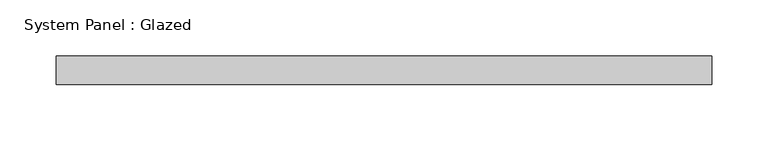
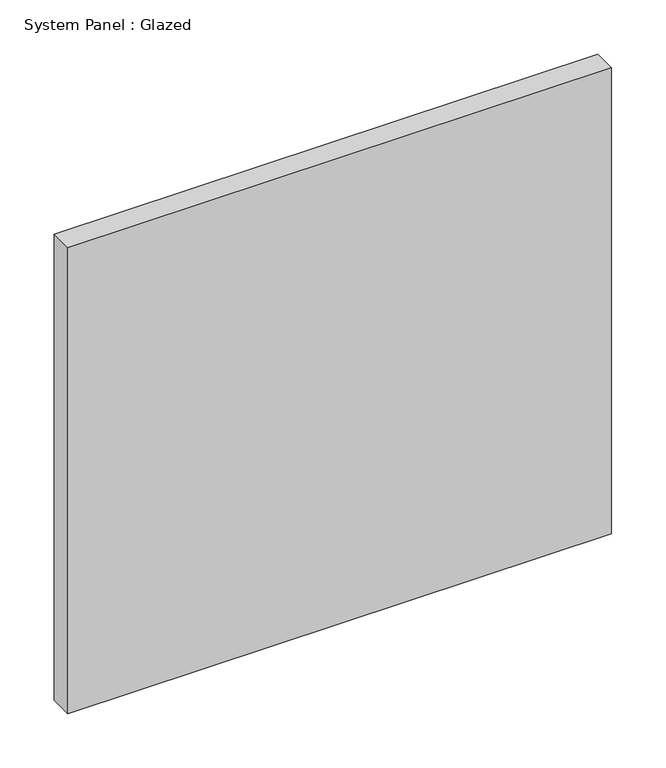
"""IFC4 building model written with IfcOpenShell, lengths in millimetres: plate geometry, System Panel : Glazed."""

from ifc_helpers import new_model, si_unit, origin, origin_with_axes, place, context, project, spatial, polyline, outline, extrude, source, transform, mapped, element, save


def system_panel_glazed_f0153554(model_context):
    return source(origin(), model_context, "Body", "SweptSolid", [
        extrude(outline(polyline([(290.0, -49.5), (-290.0, -49.5), (-290.0, -24.5), (290.0, -24.5), (290.0, -49.5)])), origin_with_axes(), (0.0, 0.0, 1.0), 525.0),
    ])


if __name__ == "__main__":
    model = new_model("IFC4")
    model_context = context("Model", 3, world=origin())
    ifc_project = project(units=[si_unit("LENGTHUNIT", "METRE", prefix="MILLI")], contexts=[model_context])
    site = spatial("IfcSite", under=ifc_project)
    building = spatial("IfcBuilding", under=site)
    placement = place(None, origin())
    system_panel_glazed_shape = system_panel_glazed_f0153554(model_context)
    element("IfcPlate", 1, ObjectType="System Panel : Glazed", at=placement, inside=building, context=model_context, shape_type="MappedRepresentation", body=[
        mapped(system_panel_glazed_shape, transform((0.0, 0.0, 0.0), x_axis=(1.0, 0.0, 0.0), y_axis=(0.0, 1.0, 0.0), z_axis=(0.0, 0.0, 1.0))),
    ])
    save(model, "model.ifc")
